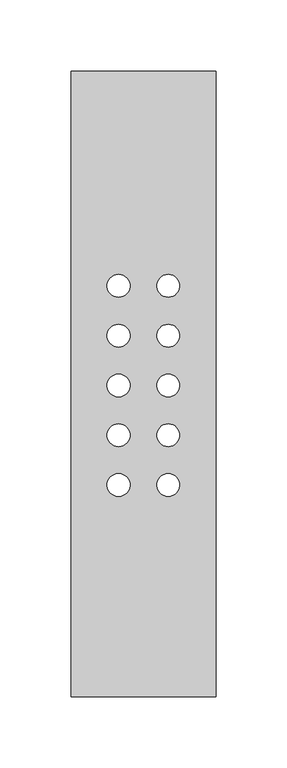
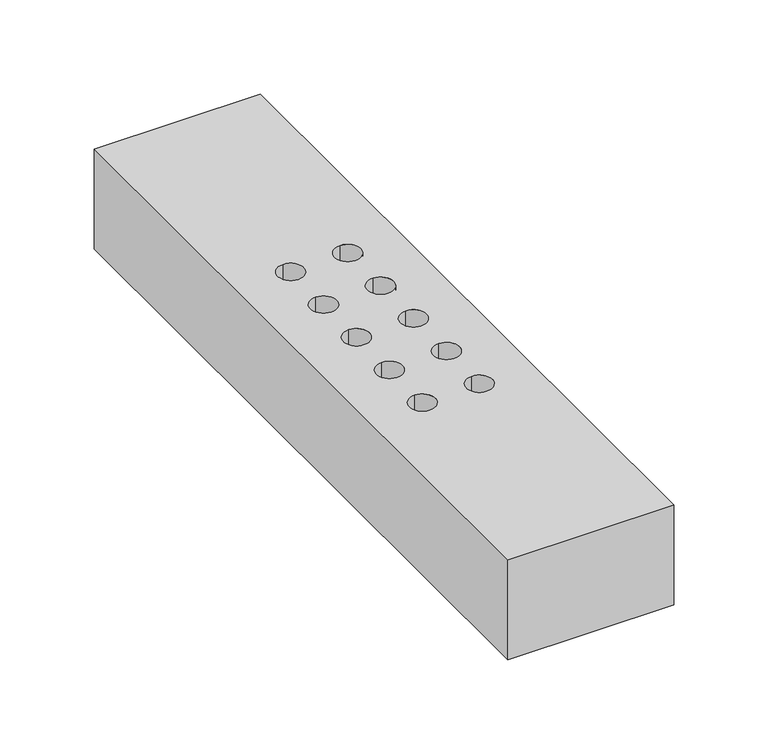
"""IFC4 building model written with IfcOpenShell, lengths in millimetres: proxy geometry."""

import ifcopenshell
import ifcopenshell.guid

model = None  # the IFC model being written
_history = None  # IfcOwnerHistory: only IFC2X3 demands one
_inside = {}  # id of a spatial element -> (the spatial element, [elements in it])
_under = {}  # id of a project, library or spatial element -> (it, [spatial elements below it])
_declared = {}  # id of a project -> (the project, [libraries it declares])
_typed = {}  # id of a type object -> (the type object, [elements of that type])
_made_of = {}  # id of a material, layer set ... -> (it, [elements and type objects made of it])


def new_model(schema):
    """Start an empty IFC model of exactly this schema.

    Asked for "IFC4X3", IfcOpenShell would pick the latest addendum, in which some entities
    have other attributes; the version numbers below select the first issue.
    IFC2X3 requires an IfcOwnerHistory on every rooted entity: one is made here for all.
    """
    global model, _history
    if schema == "IFC4X3":
        model = ifcopenshell.file(schema_version=(4, 3, 0, 0))
    else:
        model = ifcopenshell.file(schema=schema)
    _inside.clear()
    _under.clear()
    _declared.clear()
    _typed.clear()
    _made_of.clear()
    _history = None
    if model.schema == "IFC2X3":
        org = make("IfcOrganization", Name="unknown")
        user = make(
            "IfcPersonAndOrganization",
            ThePerson=make("IfcPerson", FamilyName="unknown"),
            TheOrganization=org,
        )
        app = make(
            "IfcApplication",
            ApplicationDeveloper=org,
            Version="unknown",
            ApplicationFullName="unknown",
            ApplicationIdentifier="unknown",
        )
        _history = make(
            "IfcOwnerHistory",
            OwningUser=user,
            OwningApplication=app,
            ChangeAction="ADDED",
            CreationDate=0,
        )
    return model


def make(cls, **values):
    """One entity of the class cls with the attributes given. An attribute that is None is left unset."""
    return model.create_entity(
        cls, **{name: value for name, value in values.items() if value is not None}
    )


def rooted(cls, **values):
    """An entity with a GlobalId (a new one), such as an element, a storey or a relation."""
    return make(cls, GlobalId=ifcopenshell.guid.new(), OwnerHistory=_history, **values)


def si_unit(unit_type, name, prefix=None):
    """IfcSIUnit, for example si_unit("LENGTHUNIT", "METRE", prefix="MILLI")."""
    return make("IfcSIUnit", UnitType=unit_type, Prefix=prefix, Name=name)


def assignment(units):
    """IfcUnitAssignment: the units of a project."""
    return None if units is None else make("IfcUnitAssignment", Units=units)


def point(xyz):
    """IfcCartesianPoint."""
    return None if xyz is None else make("IfcCartesianPoint", Coordinates=xyz)


def direction(xyz):
    """IfcDirection."""
    return None if xyz is None else make("IfcDirection", DirectionRatios=xyz)


def frame(location, z_axis=None, x_axis=None):
    """IfcAxis2Placement3D, a coordinate frame: its origin and axes. An axis left out is left unset."""
    return make(
        "IfcAxis2Placement3D",
        Location=point(location),
        Axis=direction(z_axis),
        RefDirection=direction(x_axis),
    )


def frame_2d(location, x_axis=None):
    """IfcAxis2Placement2D, a coordinate frame in the plane: its origin and x axis."""
    return make(
        "IfcAxis2Placement2D", Location=point(location), RefDirection=direction(x_axis)
    )


def origin():
    """The frame at (0, 0, 0) with its axes left unset."""
    return frame((0.0, 0.0, 0.0))


def origin_with_axes():
    """The frame at (0, 0, 0) with the z axis (0, 0, 1) and the x axis (1, 0, 0) written out."""
    return frame((0.0, 0.0, 0.0), z_axis=(0.0, 0.0, 1.0), x_axis=(1.0, 0.0, 0.0))


def place(relative_to, where):
    """IfcLocalPlacement: puts the frame where relative to a parent placement (None: the world)."""
    return make(
        "IfcLocalPlacement", PlacementRelTo=relative_to, RelativePlacement=where
    )


def context(
    kind, dimensions, precision=None, world=None, true_north=None, identifier=None
):
    """IfcGeometricRepresentationContext, for example the 3D "Model" context."""
    return make(
        "IfcGeometricRepresentationContext",
        ContextIdentifier=identifier,
        ContextType=kind,
        CoordinateSpaceDimension=dimensions,
        Precision=precision,
        WorldCoordinateSystem=world,
        TrueNorth=true_north,
    )


def project(units=None, contexts=None):
    """IfcProject with its units and contexts."""
    return rooted(
        "IfcProject",
        Name="project",
        RepresentationContexts=contexts,
        UnitsInContext=assignment(units),
    )


def spatial(cls, under=None, at=None, **own):
    """A site, building, storey or space (cls), placed at a placement, below another one or the project."""
    s = rooted(cls, ObjectPlacement=at, **own)
    if under is not None:
        _under.setdefault(under.id(), (under, []))[1].append(s)
    return s


def polyline(points):
    """IfcPolyline through the points."""
    return make("IfcPolyline", Points=[point(p) for p in points])


def circle_curve(where, radius):
    """IfcCircle in the frame where."""
    return make("IfcCircle", Position=where, Radius=radius)


def trimmed(basis, trim1, trim2, sense, master):
    """IfcTrimmedCurve: the piece of a basis curve between two trims."""
    return make(
        "IfcTrimmedCurve",
        BasisCurve=basis,
        Trim1=trim1,
        Trim2=trim2,
        SenseAgreement=sense,
        MasterRepresentation=master,
    )


def segment(curve, same_sense, transition):
    """IfcCompositeCurveSegment."""
    return make(
        "IfcCompositeCurveSegment",
        Transition=transition,
        SameSense=same_sense,
        ParentCurve=curve,
    )


def composite_curve(segments, self_intersect=None):
    """IfcCompositeCurve: segments joined end to end."""
    return make("IfcCompositeCurve", Segments=segments, SelfIntersect=self_intersect)


def outline(outer, holes=None, kind="AREA"):
    """IfcArbitraryClosedProfileDef: a profile drawn as a closed curve; with holes, ...WithVoids."""
    if holes is None:
        return make("IfcArbitraryClosedProfileDef", ProfileType=kind, OuterCurve=outer)
    return make(
        "IfcArbitraryProfileDefWithVoids",
        ProfileType=kind,
        OuterCurve=outer,
        InnerCurves=holes,
    )


def extrude(swept, where, along, depth):
    """IfcExtrudedAreaSolid: the profile swept, set in the frame where, extruded along a direction by depth."""
    return make(
        "IfcExtrudedAreaSolid",
        SweptArea=swept,
        Position=where,
        ExtrudedDirection=direction(along),
        Depth=depth,
    )


def shape(context_of_items, identifier, shape_type, items):
    """IfcShapeRepresentation: the items that make up one representation, for example the "Body"."""
    return make(
        "IfcShapeRepresentation",
        ContextOfItems=context_of_items,
        RepresentationIdentifier=identifier,
        RepresentationType=shape_type,
        Items=items,
    )


def source(mapping_origin, context_of_items, identifier, shape_type, items):
    """IfcRepresentationMap: a shape defined once, which mapped items show again and again."""
    return make(
        "IfcRepresentationMap",
        MappingOrigin=mapping_origin,
        MappedRepresentation=shape(context_of_items, identifier, shape_type, items),
    )


def transform(
    local_origin,
    x_axis=None,
    y_axis=None,
    z_axis=None,
    scale=None,
    scale2=None,
    scale3=None,
    uniform=True,
):
    """IfcCartesianTransformationOperator3D, or its non-uniform kind. x_axis, y_axis, z_axis: its Axis1, 2, 3."""
    if uniform:
        return make(
            "IfcCartesianTransformationOperator3D",
            Axis1=direction(x_axis),
            Axis2=direction(y_axis),
            LocalOrigin=point(local_origin),
            Scale=scale,
            Axis3=direction(z_axis),
        )
    return make(
        "IfcCartesianTransformationOperator3DnonUniform",
        Axis1=direction(x_axis),
        Axis2=direction(y_axis),
        LocalOrigin=point(local_origin),
        Scale=scale,
        Axis3=direction(z_axis),
        Scale2=scale2,
        Scale3=scale3,
    )


def mapped(mapping_source, mapping_target):
    """IfcMappedItem: shows the shape of a source again, moved by a transform."""
    return make(
        "IfcMappedItem", MappingSource=mapping_source, MappingTarget=mapping_target
    )


def made_of(thing, what):
    """Note that an element or type object is made of a material, layer set ...; save() writes the relation."""
    if what is not None:
        _made_of.setdefault(what.id(), (what, []))[1].append(thing)
    return thing


def element(
    cls,
    number,
    at=None,
    inside=None,
    cuts=None,
    type_object=None,
    material=None,
    context=None,
    identifier="Body",
    shape_type=None,
    held_by="IfcProductDefinitionShape",
    body=None,
    shapes=None,
    **own,
):
    """One element of the class cls, such as IfcWall. Its Tag is "e" and its number.

    at: its placement. inside: the storey or other place that contains it. cuts: it is an
    opening in that element (IfcRelVoidsElement). A single representation is given by context,
    identifier, shape_type and body (its items); several are given by shapes. held_by: the class
    of the entity that holds the representations. save() writes the other relations.
    """
    e = rooted(cls, Tag="e%d" % number, ObjectPlacement=at, **own)
    if body is not None:
        shapes = [shape(context, identifier, shape_type, body)]
    if shapes is not None:
        e.Representation = make(held_by, Representations=shapes)
    if inside is not None:
        _inside.setdefault(inside.id(), (inside, []))[1].append(e)
    if cuts is not None:
        rooted(
            "IfcRelVoidsElement", RelatingBuildingElement=cuts, RelatedOpeningElement=e
        )
    if type_object is not None:
        _typed.setdefault(type_object.id(), (type_object, []))[1].append(e)
    return made_of(e, material)


def aggregate(whole, parts):
    """IfcRelAggregates: a whole, such as a stair, and the parts it consists of."""
    return rooted("IfcRelAggregates", RelatingObject=whole, RelatedObjects=parts)


def save(model, path):
    """Write the relations noted so far, then the file.

    IfcRelAggregates (storeys below a building ...), IfcRelContainedInSpatialStructure (elements
    in a storey), IfcRelDefinesByType, IfcRelAssociatesMaterial and IfcRelDeclares: one each for
    every whole, place, type object, material and project.
    """
    for whole, parts in _under.values():
        aggregate(whole, parts)
    for where, things in _inside.values():
        rooted(
            "IfcRelContainedInSpatialStructure",
            RelatedElements=things,
            RelatingStructure=where,
        )
    for kind, things in _typed.values():
        rooted("IfcRelDefinesByType", RelatedObjects=things, RelatingType=kind)
    for what, things in _made_of.values():
        rooted("IfcRelAssociatesMaterial", RelatedObjects=things, RelatingMaterial=what)
    for by, libraries in _declared.values():
        rooted("IfcRelDeclares", RelatingContext=by, RelatedDefinitions=libraries)
    model.write(path)


def generic_models_cc948553(model_context):
    return source(origin(), model_context, "Body", "SweptSolid", [
        extrude(outline(polyline([(0.0, 440.0), (102.0, 440.0), (102.0, 0.0), (0.0, 0.0), (0.0, 440.0)]), holes=[composite_curve([segment(trimmed(circle_curve(frame_2d((68.5, 149.0)), 8.0), [point((68.5, 157.0))], [point((68.5, 141.0))], True, "CARTESIAN"), True, "CONTINUOUS"), segment(trimmed(circle_curve(frame_2d((68.5, 149.0)), 8.0), [point((68.5, 141.0))], [point((68.5, 157.0))], True, "CARTESIAN"), True, "CONTINUOUS")], self_intersect=False), composite_curve([segment(trimmed(circle_curve(frame_2d((33.5, 149.0)), 8.0), [point((33.5, 157.0))], [point((33.5, 141.0))], True, "CARTESIAN"), True, "CONTINUOUS"), segment(trimmed(circle_curve(frame_2d((33.5, 149.0)), 8.0), [point((33.5, 141.0))], [point((33.5, 157.0))], True, "CARTESIAN"), True, "CONTINUOUS")], self_intersect=False), composite_curve([segment(trimmed(circle_curve(frame_2d((33.5, 219.0)), 8.0), [point((33.5, 227.0))], [point((33.5, 211.0))], True, "CARTESIAN"), True, "CONTINUOUS"), segment(trimmed(circle_curve(frame_2d((33.5, 219.0)), 8.0), [point((33.5, 211.0))], [point((33.5, 227.0))], True, "CARTESIAN"), True, "CONTINUOUS")], self_intersect=False), composite_curve([segment(trimmed(circle_curve(frame_2d((33.5, 254.0)), 8.0), [point((33.5, 262.0))], [point((33.5, 246.0))], True, "CARTESIAN"), True, "CONTINUOUS"), segment(trimmed(circle_curve(frame_2d((33.5, 254.0)), 8.0), [point((33.5, 246.0))], [point((33.5, 262.0))], True, "CARTESIAN"), True, "CONTINUOUS")], self_intersect=False), composite_curve([segment(trimmed(circle_curve(frame_2d((33.5, 289.0)), 8.0), [point((33.5, 297.0))], [point((33.5, 281.0))], True, "CARTESIAN"), True, "CONTINUOUS"), segment(trimmed(circle_curve(frame_2d((33.5, 289.0)), 8.0), [point((33.5, 281.0))], [point((33.5, 297.0))], True, "CARTESIAN"), True, "CONTINUOUS")], self_intersect=False), composite_curve([segment(trimmed(circle_curve(frame_2d((33.5, 184.0)), 8.0), [point((33.5, 192.0))], [point((33.5, 176.0))], True, "CARTESIAN"), True, "CONTINUOUS"), segment(trimmed(circle_curve(frame_2d((33.5, 184.0)), 8.0), [point((33.5, 176.0))], [point((33.5, 192.0))], True, "CARTESIAN"), True, "CONTINUOUS")], self_intersect=False), composite_curve([segment(trimmed(circle_curve(frame_2d((68.5, 289.0)), 8.0), [point((68.5, 297.0))], [point((68.5, 281.0))], True, "CARTESIAN"), True, "CONTINUOUS"), segment(trimmed(circle_curve(frame_2d((68.5, 289.0)), 8.0), [point((68.5, 281.0))], [point((68.5, 297.0))], True, "CARTESIAN"), True, "CONTINUOUS")], self_intersect=False), composite_curve([segment(trimmed(circle_curve(frame_2d((68.5, 254.0)), 8.0), [point((68.5, 262.0))], [point((68.5, 246.0))], True, "CARTESIAN"), True, "CONTINUOUS"), segment(trimmed(circle_curve(frame_2d((68.5, 254.0)), 8.0), [point((68.5, 246.0))], [point((68.5, 262.0))], True, "CARTESIAN"), True, "CONTINUOUS")], self_intersect=False), composite_curve([segment(trimmed(circle_curve(frame_2d((68.5, 219.0)), 8.0), [point((68.5, 227.0))], [point((68.5, 211.0))], True, "CARTESIAN"), True, "CONTINUOUS"), segment(trimmed(circle_curve(frame_2d((68.5, 219.0)), 8.0), [point((68.5, 211.0))], [point((68.5, 227.0))], True, "CARTESIAN"), True, "CONTINUOUS")], self_intersect=False), composite_curve([segment(trimmed(circle_curve(frame_2d((68.5, 184.0)), 8.0), [point((68.5, 192.0))], [point((68.5, 176.0))], True, "CARTESIAN"), True, "CONTINUOUS"), segment(trimmed(circle_curve(frame_2d((68.5, 184.0)), 8.0), [point((68.5, 176.0))], [point((68.5, 192.0))], True, "CARTESIAN"), True, "CONTINUOUS")], self_intersect=False)]), origin_with_axes(), (0.0, 0.0, 1.0), 65.0),
    ])


if __name__ == "__main__":
    model = new_model("IFC4")
    model_context = context("Model", 3, world=origin())
    ifc_project = project(units=[si_unit("LENGTHUNIT", "METRE", prefix="MILLI")], contexts=[model_context])
    site = spatial("IfcSite", under=ifc_project)
    building = spatial("IfcBuilding", under=site)
    placement = place(None, origin())
    generic_models_shape = generic_models_cc948553(model_context)
    element("IfcBuildingElementProxy", 1, Name="Generic Models", at=placement, inside=building, context=model_context, shape_type="MappedRepresentation", body=[
        mapped(generic_models_shape, transform((0.0, 0.0, 0.0), x_axis=(1.0, 0.0, 0.0), y_axis=(0.0, 1.0, 0.0), z_axis=(0.0, 0.0, 1.0))),
    ])
    save(model, "model.ifc")
